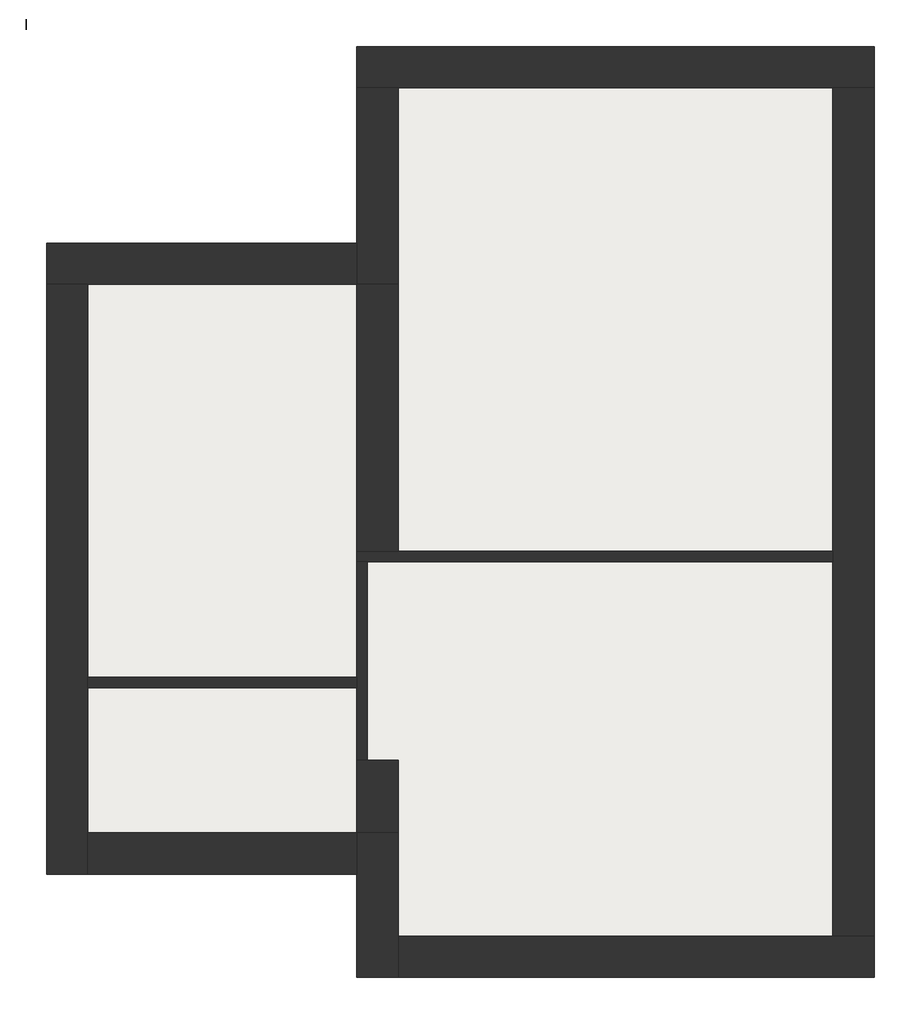
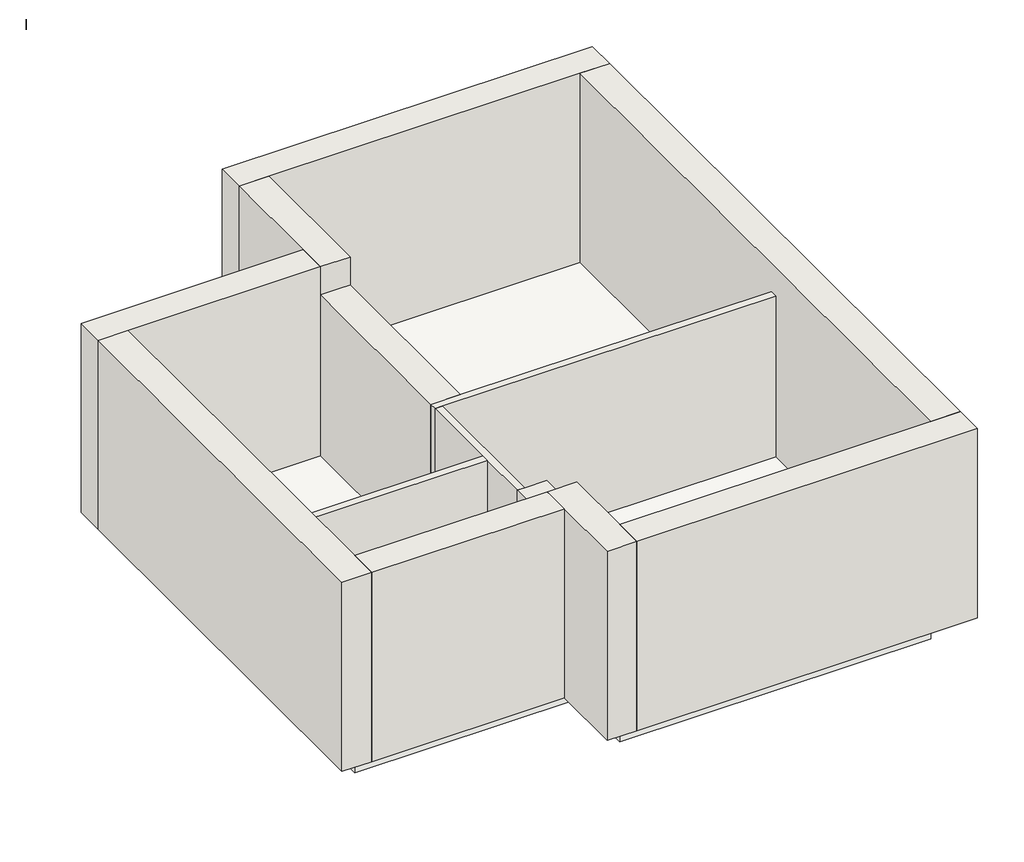
# One storey: 13 walls, 1 slab.
"""IFC4 building model written with IfcOpenShell, lengths in millimetres."""

from ifc_helpers import new_model, si_unit, frame, origin, place, context, project, spatial, polyline, outline, extrude, faceted_brep, element, save

model = new_model("IFC4")

# Units and contexts
model_context = context("Model", 3, world=origin())
ifc_project = project(units=[si_unit("LENGTHUNIT", "METRE", prefix="MILLI")], contexts=[model_context])

# Site, building, storey
site = spatial("IfcSite", under=ifc_project)
building = spatial("IfcBuilding", under=site)
storey = spatial("IfcBuildingStorey", under=building, Name="I", Elevation=4095.7716934)

# Slab
placement = place(None, origin())
element("IfcSlab", 1, at=placement, inside=storey, context=model_context, shape_type="SweptSolid", body=[
    extrude(outline(polyline([(19507.8462138, 12895.8278326), (23707.8462138, 12895.8278326), (23707.8462138, 4695.8278326), (19507.8462138, 4695.8278326), (19507.8462138, 5695.8278326), (16507.8462138, 5695.8278326), (16507.8462138, 10995.8278326), (19507.8462138, 10995.8278326), (19507.8462138, 12895.8278326)])), frame((0.0, 0.0, 3695.7716934), z_axis=(0.0, 0.0, 1.0), x_axis=(1.0, 0.0, 0.0)), (0.0, 0.0, 1.0), 400.0),
])

# Walls
element("IfcWall", 2, at=placement, inside=storey, context=model_context, shape_type="Brep", body=[
    faceted_brep([(24107.8462138, 13295.8278326, 4095.7716934), (19107.8462138, 13295.8278326, 4095.7716934), (19107.8462138, 13295.8278326, 6795.7716934), (24107.8462138, 13295.8278326, 6795.7716934), (24107.8462138, 12895.8278326, 4095.7716934), (24107.8462138, 12895.8278326, 6795.7716934), (23707.8462138, 12895.8278326, 6795.7716934), (19507.8462138, 12895.8278326, 6795.7716934), (19107.8462138, 12895.8278326, 6795.7716934), (19107.8462138, 12895.8278326, 4095.7716934), (19507.8462138, 12895.8278326, 4095.7716934), (23707.8462138, 12895.8278326, 4095.7716934)], [[[0, 1, 2, 3]], [[4, 5, 6, 7, 8, 9, 10, 11]], [[1, 0, 4, 11, 10, 9]], [[3, 2, 8, 7, 6, 5]], [[2, 1, 9, 8]], [[0, 3, 5, 4]]]),
])
element("IfcWall", 3, at=placement, inside=storey, context=model_context, shape_type="Brep", body=[
    faceted_brep([(19107.8462138, 12895.8278326, 4095.7716934), (19107.8462138, 11395.8278326, 4095.7716934), (19107.8462138, 10995.8278326, 4095.7716934), (19107.8462138, 10995.8278326, 6395.7716934), (19107.8462138, 10995.8278326, 6795.7716934), (19107.8462138, 11395.8278326, 6795.7716934), (19107.8462138, 12895.8278326, 6795.7716934), (19507.8462138, 10995.8278326, 4095.7716934), (19507.8462138, 12895.8278326, 4095.7716934), (19507.8462138, 12895.8278326, 6395.7716934), (19507.8462138, 12895.8278326, 6795.7716934), (19507.8462138, 10995.8278326, 6795.7716934), (19507.8462138, 10995.8278326, 6395.7716934)], [[[0, 1, 2, 3, 4, 5, 6]], [[7, 8, 9, 10, 11, 12]], [[2, 1, 0, 8, 7]], [[6, 5, 4, 11, 10]], [[0, 6, 10, 9, 8]], [[2, 7, 12, 11, 4, 3]]]),
])
element("IfcWall", 4, at=placement, inside=storey, context=model_context, shape_type="Brep", body=[
    faceted_brep([(19107.8462138, 11395.8278326, 4095.7716934), (16107.8462138, 11395.8278326, 4095.7716934), (16107.8462138, 11395.8278326, 6795.7716934), (19107.8462138, 11395.8278326, 6795.7716934), (16107.8462138, 10995.8278326, 4095.7716934), (16507.8462138, 10995.8278326, 4095.7716934), (19107.8462138, 10995.8278326, 4095.7716934), (19107.8462138, 10995.8278326, 6395.7716934), (19107.8462138, 10995.8278326, 6795.7716934), (16507.8462138, 10995.8278326, 6795.7716934), (16107.8462138, 10995.8278326, 6795.7716934)], [[[0, 1, 2, 3]], [[4, 5, 6, 7, 8, 9, 10]], [[1, 0, 6, 5, 4]], [[3, 2, 10, 9, 8]], [[2, 1, 4, 10]], [[3, 8, 7, 6, 0]]]),
])
element("IfcWall", 5, at=placement, inside=storey, context=model_context, shape_type="Brep", body=[
    faceted_brep([(16107.8462138, 10995.8278326, 4095.7716934), (16107.8462138, 5295.8278326, 4095.7716934), (16107.8462138, 5295.8278326, 6795.7716934), (16107.8462138, 10995.8278326, 6795.7716934), (16507.8462138, 10995.8278326, 4095.7716934), (16507.8462138, 10995.8278326, 6395.7716934), (16507.8462138, 10995.8278326, 6795.7716934), (16507.8462138, 5695.8278326, 6795.7716934), (16507.8462138, 5295.8278326, 6795.7716934), (16507.8462138, 5295.8278326, 4095.7716934), (16507.8462138, 5695.8278326, 4095.7716934), (16507.8462138, 7095.8278326, 4095.7716934), (16507.8462138, 7195.8278326, 4095.7716934)], [[[0, 1, 2, 3]], [[4, 5, 6, 7, 8, 9, 10, 11, 12]], [[1, 0, 4, 12, 11, 10, 9]], [[3, 2, 8, 7, 6]], [[0, 3, 6, 5, 4]], [[2, 1, 9, 8]]]),
])
element("IfcWall", 6, at=placement, inside=storey, context=model_context, shape_type="Brep", body=[
    faceted_brep([(16507.8462138, 5295.8278326, 4095.7716934), (19107.8462138, 5295.8278326, 4095.7716934), (19107.8462138, 5295.8278326, 6795.7716934), (16507.8462138, 5295.8278326, 6795.7716934), (19107.8462138, 5695.8278326, 4095.7716934), (16507.8462138, 5695.8278326, 4095.7716934), (16507.8462138, 5695.8278326, 6395.7716934), (16507.8462138, 5695.8278326, 6795.7716934), (19107.8462138, 5695.8278326, 6795.7716934), (19107.8462138, 5695.8278326, 6395.7716934)], [[[0, 1, 2, 3]], [[4, 5, 6, 7, 8, 9]], [[1, 0, 5, 4]], [[3, 2, 8, 7]], [[0, 3, 7, 6, 5]], [[1, 4, 9, 8, 2]]]),
])
element("IfcWall", 7, at=placement, inside=storey, context=model_context, shape_type="Brep", body=[
    faceted_brep([(19107.8462138, 5695.8278326, 4095.7716934), (19107.8462138, 5295.8278326, 4095.7716934), (19107.8462138, 4295.8278326, 4095.7716934), (19107.8462138, 4295.8278326, 6795.7716934), (19107.8462138, 5295.8278326, 6795.7716934), (19107.8462138, 5695.8278326, 6795.7716934), (19107.8462138, 5695.8278326, 6395.7716934), (19507.8462138, 4295.8278326, 4095.7716934), (19507.8462138, 4695.8278326, 4095.7716934), (19507.8462138, 5695.8278326, 4095.7716934), (19507.8462138, 5695.8278326, 6395.7716934), (19507.8462138, 5695.8278326, 6795.7716934), (19507.8462138, 4695.8278326, 6795.7716934), (19507.8462138, 4295.8278326, 6795.7716934)], [[[0, 1, 2, 3, 4, 5, 6]], [[7, 8, 9, 10, 11, 12, 13]], [[2, 1, 0, 9, 8, 7]], [[5, 4, 3, 13, 12, 11]], [[3, 2, 7, 13]], [[5, 11, 10, 9, 0, 6]]]),
])
element("IfcWall", 8, at=placement, inside=storey, context=model_context, shape_type="Brep", body=[
    faceted_brep([(19507.8462138, 4295.8278326, 4095.7716934), (24107.8462138, 4295.8278326, 4095.7716934), (24107.8462138, 4295.8278326, 6795.7716934), (19507.8462138, 4295.8278326, 6795.7716934), (19507.8462138, 4695.8278326, 4095.7716934), (19507.8462138, 4695.8278326, 6395.7716934), (19507.8462138, 4695.8278326, 6795.7716934), (23707.8462138, 4695.8278326, 6795.7716934), (24107.8462138, 4695.8278326, 6795.7716934), (24107.8462138, 4695.8278326, 4095.7716934), (23707.8462138, 4695.8278326, 4095.7716934)], [[[0, 1, 2, 3]], [[4, 5, 6, 7, 8, 9, 10]], [[1, 0, 4, 10, 9]], [[3, 2, 8, 7, 6]], [[0, 3, 6, 5, 4]], [[2, 1, 9, 8]]]),
])
element("IfcWall", 9, at=placement, inside=storey, context=model_context, shape_type="Brep", body=[
    faceted_brep([(24107.8462138, 4695.8278326, 4095.7716934), (24107.8462138, 12895.8278326, 4095.7716934), (24107.8462138, 12895.8278326, 6795.7716934), (24107.8462138, 4695.8278326, 6795.7716934), (23707.8462138, 4695.8278326, 4095.7716934), (23707.8462138, 4695.8278326, 6395.7716934), (23707.8462138, 4695.8278326, 6795.7716934), (23707.8462138, 12895.8278326, 6795.7716934), (23707.8462138, 12895.8278326, 6395.7716934), (23707.8462138, 12895.8278326, 4095.7716934), (23707.8462138, 8415.8278326, 4095.7716934), (23707.8462138, 8315.8278326, 4095.7716934)], [[[0, 1, 2, 3]], [[4, 5, 6, 7, 8, 9, 10, 11]], [[1, 0, 4, 11, 10, 9]], [[3, 2, 7, 6]], [[0, 3, 6, 5, 4]], [[2, 1, 9, 8, 7]]]),
])
element("IfcWall", 10, at=placement, inside=storey, context=model_context, shape_type="Brep", body=[
    faceted_brep([(19107.8462138, 8315.8278326, 4095.7716934), (19207.8462138, 8315.8278326, 4095.7716934), (23707.8462138, 8315.8278326, 4095.7716934), (23707.8462138, 8315.8278326, 6395.7716934), (19207.8462138, 8315.8278326, 6395.7716934), (19107.8462138, 8315.8278326, 6395.7716934), (19107.8462138, 8415.8278326, 4095.7716934), (19107.8462138, 8415.8278326, 6395.7716934), (19507.8462138, 8415.8278326, 6395.7716934), (23707.8462138, 8415.8278326, 6395.7716934), (23707.8462138, 8415.8278326, 4095.7716934), (19507.8462138, 8415.8278326, 4095.7716934)], [[[0, 1, 2, 3, 4, 5]], [[6, 7, 8, 9, 10, 11]], [[2, 1, 0, 6, 11, 10]], [[3, 2, 10, 9]], [[0, 5, 7, 6]], [[5, 4, 3, 9, 8, 7]]]),
])
element("IfcWall", 11, at=placement, inside=storey, context=model_context, shape_type="SweptSolid", body=[
    extrude(outline(polyline([(19107.8462138, 7095.8278326), (16507.8462138, 7095.8278326), (16507.8462138, 7195.8278326), (19107.8462138, 7195.8278326), (19107.8462138, 7095.8278326)])), frame((0.0, 0.0, 4095.7716934), z_axis=(0.0, 0.0, 1.0), x_axis=(1.0, 0.0, 0.0)), (0.0, 0.0, 1.0), 2300.0),
])
element("IfcWall", 12, at=placement, inside=storey, context=model_context, shape_type="SweptSolid", body=[
    extrude(outline(polyline([(19107.8462138, 8415.8278326), (19107.8462138, 10995.8278326), (19507.8462138, 10995.8278326), (19507.8462138, 8415.8278326), (19107.8462138, 8415.8278326)])), frame((0.0, 0.0, 4095.7716934), z_axis=(0.0, 0.0, 1.0), x_axis=(1.0, 0.0, 0.0)), (0.0, 0.0, 1.0), 2300.0),
])
element("IfcWall", 13, at=placement, inside=storey, context=model_context, shape_type="Brep", body=[
    faceted_brep([(19507.8462138, 5695.8278326, 4095.7716934), (19507.8462138, 6395.8278326, 4095.7716934), (19507.8462138, 6395.8278326, 6395.7716934), (19507.8462138, 5695.8278326, 6395.7716934), (19107.8462138, 5695.8278326, 4095.7716934), (19107.8462138, 5695.8278326, 6395.7716934), (19107.8462138, 6395.8278326, 6395.7716934), (19107.8462138, 6395.8278326, 4095.7716934), (19207.8462138, 6395.8278326, 4095.7716934), (19207.8462138, 6395.8278326, 6395.7716934)], [[[0, 1, 2, 3]], [[4, 5, 6, 7]], [[1, 0, 4, 7, 8]], [[2, 1, 8, 7, 6, 9]], [[0, 3, 5, 4]], [[3, 2, 9, 6, 5]]]),
])
element("IfcWall", 14, at=placement, inside=storey, context=model_context, shape_type="Brep", body=[
    faceted_brep([(19107.8462138, 8315.8278326, 4095.7716934), (19107.8462138, 7195.8278326, 4095.7716934), (19107.8462138, 7095.8278326, 4095.7716934), (19107.8462138, 6395.8278326, 4095.7716934), (19107.8462138, 6395.8278326, 6395.7716934), (19107.8462138, 7095.8278326, 6395.7716934), (19107.8462138, 7195.8278326, 6395.7716934), (19107.8462138, 8315.8278326, 6395.7716934), (19207.8462138, 8315.8278326, 4095.7716934), (19207.8462138, 8315.8278326, 6395.7716934), (19207.8462138, 6395.8278326, 6395.7716934), (19207.8462138, 6395.8278326, 4095.7716934)], [[[0, 1, 2, 3, 4, 5, 6, 7]], [[8, 9, 10, 11]], [[3, 2, 1, 0, 8, 11]], [[4, 3, 11, 10]], [[0, 7, 9, 8]], [[7, 6, 5, 4, 10, 9]]]),
])

save(model, "model.ifc")
